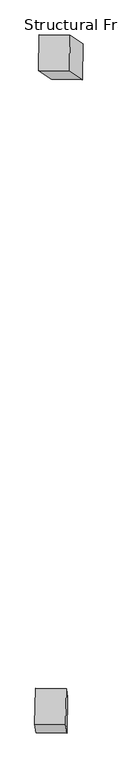
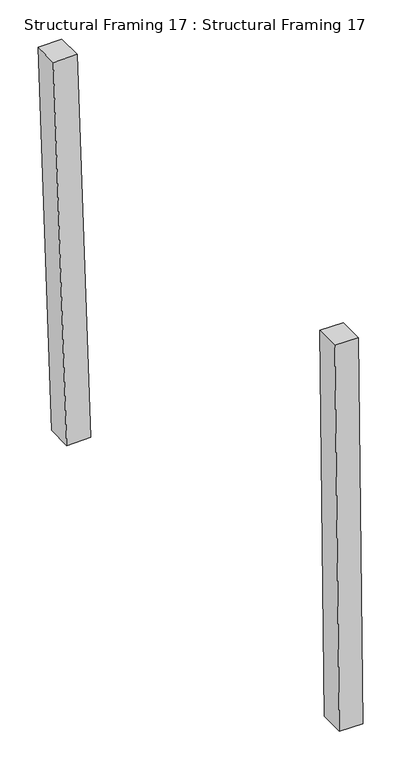
"""IFC4 building model written with IfcOpenShell, lengths in millimetres: beam geometry, Structural Framing 17 : Structural Framing 17."""

import ifcopenshell
import ifcopenshell.guid

model = None  # the IFC model being written
_history = None  # IfcOwnerHistory: only IFC2X3 demands one
_inside = {}  # id of a spatial element -> (the spatial element, [elements in it])
_under = {}  # id of a project, library or spatial element -> (it, [spatial elements below it])
_declared = {}  # id of a project -> (the project, [libraries it declares])
_typed = {}  # id of a type object -> (the type object, [elements of that type])
_made_of = {}  # id of a material, layer set ... -> (it, [elements and type objects made of it])


def new_model(schema):
    """Start an empty IFC model of exactly this schema.

    Asked for "IFC4X3", IfcOpenShell would pick the latest addendum, in which some entities
    have other attributes; the version numbers below select the first issue.
    IFC2X3 requires an IfcOwnerHistory on every rooted entity: one is made here for all.
    """
    global model, _history
    if schema == "IFC4X3":
        model = ifcopenshell.file(schema_version=(4, 3, 0, 0))
    else:
        model = ifcopenshell.file(schema=schema)
    _inside.clear()
    _under.clear()
    _declared.clear()
    _typed.clear()
    _made_of.clear()
    _history = None
    if model.schema == "IFC2X3":
        org = make("IfcOrganization", Name="unknown")
        user = make(
            "IfcPersonAndOrganization",
            ThePerson=make("IfcPerson", FamilyName="unknown"),
            TheOrganization=org,
        )
        app = make(
            "IfcApplication",
            ApplicationDeveloper=org,
            Version="unknown",
            ApplicationFullName="unknown",
            ApplicationIdentifier="unknown",
        )
        _history = make(
            "IfcOwnerHistory",
            OwningUser=user,
            OwningApplication=app,
            ChangeAction="ADDED",
            CreationDate=0,
        )
    return model


def make(cls, **values):
    """One entity of the class cls with the attributes given. An attribute that is None is left unset."""
    return model.create_entity(
        cls, **{name: value for name, value in values.items() if value is not None}
    )


def rooted(cls, **values):
    """An entity with a GlobalId (a new one), such as an element, a storey or a relation."""
    return make(cls, GlobalId=ifcopenshell.guid.new(), OwnerHistory=_history, **values)


def si_unit(unit_type, name, prefix=None):
    """IfcSIUnit, for example si_unit("LENGTHUNIT", "METRE", prefix="MILLI")."""
    return make("IfcSIUnit", UnitType=unit_type, Prefix=prefix, Name=name)


def assignment(units):
    """IfcUnitAssignment: the units of a project."""
    return None if units is None else make("IfcUnitAssignment", Units=units)


def point(xyz):
    """IfcCartesianPoint."""
    return None if xyz is None else make("IfcCartesianPoint", Coordinates=xyz)


def direction(xyz):
    """IfcDirection."""
    return None if xyz is None else make("IfcDirection", DirectionRatios=xyz)


def frame(location, z_axis=None, x_axis=None):
    """IfcAxis2Placement3D, a coordinate frame: its origin and axes. An axis left out is left unset."""
    return make(
        "IfcAxis2Placement3D",
        Location=point(location),
        Axis=direction(z_axis),
        RefDirection=direction(x_axis),
    )


def origin():
    """The frame at (0, 0, 0) with its axes left unset."""
    return frame((0.0, 0.0, 0.0))


def place(relative_to, where):
    """IfcLocalPlacement: puts the frame where relative to a parent placement (None: the world)."""
    return make(
        "IfcLocalPlacement", PlacementRelTo=relative_to, RelativePlacement=where
    )


def context(
    kind, dimensions, precision=None, world=None, true_north=None, identifier=None
):
    """IfcGeometricRepresentationContext, for example the 3D "Model" context."""
    return make(
        "IfcGeometricRepresentationContext",
        ContextIdentifier=identifier,
        ContextType=kind,
        CoordinateSpaceDimension=dimensions,
        Precision=precision,
        WorldCoordinateSystem=world,
        TrueNorth=true_north,
    )


def project(units=None, contexts=None):
    """IfcProject with its units and contexts."""
    return rooted(
        "IfcProject",
        Name="project",
        RepresentationContexts=contexts,
        UnitsInContext=assignment(units),
    )


def spatial(cls, under=None, at=None, **own):
    """A site, building, storey or space (cls), placed at a placement, below another one or the project."""
    s = rooted(cls, ObjectPlacement=at, **own)
    if under is not None:
        _under.setdefault(under.id(), (under, []))[1].append(s)
    return s


def polyline(points):
    """IfcPolyline through the points."""
    return make("IfcPolyline", Points=[point(p) for p in points])


def outline(outer, holes=None, kind="AREA"):
    """IfcArbitraryClosedProfileDef: a profile drawn as a closed curve; with holes, ...WithVoids."""
    if holes is None:
        return make("IfcArbitraryClosedProfileDef", ProfileType=kind, OuterCurve=outer)
    return make(
        "IfcArbitraryProfileDefWithVoids",
        ProfileType=kind,
        OuterCurve=outer,
        InnerCurves=holes,
    )


def extrude(swept, where, along, depth):
    """IfcExtrudedAreaSolid: the profile swept, set in the frame where, extruded along a direction by depth."""
    return make(
        "IfcExtrudedAreaSolid",
        SweptArea=swept,
        Position=where,
        ExtrudedDirection=direction(along),
        Depth=depth,
    )


def shape(context_of_items, identifier, shape_type, items):
    """IfcShapeRepresentation: the items that make up one representation, for example the "Body"."""
    return make(
        "IfcShapeRepresentation",
        ContextOfItems=context_of_items,
        RepresentationIdentifier=identifier,
        RepresentationType=shape_type,
        Items=items,
    )


def source(mapping_origin, context_of_items, identifier, shape_type, items):
    """IfcRepresentationMap: a shape defined once, which mapped items show again and again."""
    return make(
        "IfcRepresentationMap",
        MappingOrigin=mapping_origin,
        MappedRepresentation=shape(context_of_items, identifier, shape_type, items),
    )


def transform(
    local_origin,
    x_axis=None,
    y_axis=None,
    z_axis=None,
    scale=None,
    scale2=None,
    scale3=None,
    uniform=True,
):
    """IfcCartesianTransformationOperator3D, or its non-uniform kind. x_axis, y_axis, z_axis: its Axis1, 2, 3."""
    if uniform:
        return make(
            "IfcCartesianTransformationOperator3D",
            Axis1=direction(x_axis),
            Axis2=direction(y_axis),
            LocalOrigin=point(local_origin),
            Scale=scale,
            Axis3=direction(z_axis),
        )
    return make(
        "IfcCartesianTransformationOperator3DnonUniform",
        Axis1=direction(x_axis),
        Axis2=direction(y_axis),
        LocalOrigin=point(local_origin),
        Scale=scale,
        Axis3=direction(z_axis),
        Scale2=scale2,
        Scale3=scale3,
    )


def mapped(mapping_source, mapping_target):
    """IfcMappedItem: shows the shape of a source again, moved by a transform."""
    return make(
        "IfcMappedItem", MappingSource=mapping_source, MappingTarget=mapping_target
    )


def made_of(thing, what):
    """Note that an element or type object is made of a material, layer set ...; save() writes the relation."""
    if what is not None:
        _made_of.setdefault(what.id(), (what, []))[1].append(thing)
    return thing


def element(
    cls,
    number,
    at=None,
    inside=None,
    cuts=None,
    type_object=None,
    material=None,
    context=None,
    identifier="Body",
    shape_type=None,
    held_by="IfcProductDefinitionShape",
    body=None,
    shapes=None,
    **own,
):
    """One element of the class cls, such as IfcWall. Its Tag is "e" and its number.

    at: its placement. inside: the storey or other place that contains it. cuts: it is an
    opening in that element (IfcRelVoidsElement). A single representation is given by context,
    identifier, shape_type and body (its items); several are given by shapes. held_by: the class
    of the entity that holds the representations. save() writes the other relations.
    """
    e = rooted(cls, Tag="e%d" % number, ObjectPlacement=at, **own)
    if body is not None:
        shapes = [shape(context, identifier, shape_type, body)]
    if shapes is not None:
        e.Representation = make(held_by, Representations=shapes)
    if inside is not None:
        _inside.setdefault(inside.id(), (inside, []))[1].append(e)
    if cuts is not None:
        rooted(
            "IfcRelVoidsElement", RelatingBuildingElement=cuts, RelatedOpeningElement=e
        )
    if type_object is not None:
        _typed.setdefault(type_object.id(), (type_object, []))[1].append(e)
    return made_of(e, material)


def aggregate(whole, parts):
    """IfcRelAggregates: a whole, such as a stair, and the parts it consists of."""
    return rooted("IfcRelAggregates", RelatingObject=whole, RelatedObjects=parts)


def save(model, path):
    """Write the relations noted so far, then the file.

    IfcRelAggregates (storeys below a building ...), IfcRelContainedInSpatialStructure (elements
    in a storey), IfcRelDefinesByType, IfcRelAssociatesMaterial and IfcRelDeclares: one each for
    every whole, place, type object, material and project.
    """
    for whole, parts in _under.values():
        aggregate(whole, parts)
    for where, things in _inside.values():
        rooted(
            "IfcRelContainedInSpatialStructure",
            RelatedElements=things,
            RelatingStructure=where,
        )
    for kind, things in _typed.values():
        rooted("IfcRelDefinesByType", RelatedObjects=things, RelatingType=kind)
    for what, things in _made_of.values():
        rooted("IfcRelAssociatesMaterial", RelatedObjects=things, RelatingMaterial=what)
    for by, libraries in _declared.values():
        rooted("IfcRelDeclares", RelatingContext=by, RelatedDefinitions=libraries)
    model.write(path)


def structural_framing_17_structural_framing_17_1d5fe42e(model_context):
    return source(origin(), model_context, "Body", "SweptSolid", [
        extrude(outline(polyline([(0.0, -99.9121933), (0.0, 0.0), (86.3059109, 0.0), (86.3059109, -99.9121933), (0.0, -99.9121933)])), frame((-49146.9742638, 31958.9391915, 109023.3798637), z_axis=(-0.0022241879063947968, 0.015287382755711263, 0.9998806673381768), x_axis=(-0.9998509259458764, 0.017086511231789028, -0.002485360959585475)), (0.0, 0.0, 1.0), 1489.0133737),
        extrude(outline(polyline([(-1e-07, -99.9121933), (0.0, 0.0), (86.3059108, -1e-07), (86.3059108, -99.9121934), (-1e-07, -99.9121933)])), frame((-49103.9789964, 33772.9245382, 109022.3506467), z_axis=(-0.023923202265894204, 0.015654606757706836, 0.9995912232911044), x_axis=(-0.9995671570835121, 0.016750708189667392, -0.02418495927493323)), (0.0, 0.0, 1.0), 1489.0133737),
    ])


if __name__ == "__main__":
    model = new_model("IFC4")
    model_context = context("Model", 3, world=origin())
    ifc_project = project(units=[si_unit("LENGTHUNIT", "METRE", prefix="MILLI")], contexts=[model_context])
    site = spatial("IfcSite", under=ifc_project)
    building = spatial("IfcBuilding", under=site)
    placement = place(None, origin())
    structural_framing_17_structural_framing_17_shape = structural_framing_17_structural_framing_17_1d5fe42e(model_context)
    element("IfcBeam", 1, ObjectType="Structural Framing 17 : Structural Framing 17", at=placement, inside=building, context=model_context, shape_type="MappedRepresentation", body=[
        mapped(structural_framing_17_structural_framing_17_shape, transform((0.0, 0.0, 0.0), x_axis=(1.0, 0.0, 0.0), y_axis=(0.0, 1.0, 0.0), z_axis=(0.0, 0.0, 1.0))),
    ])
    save(model, "model.ifc")
